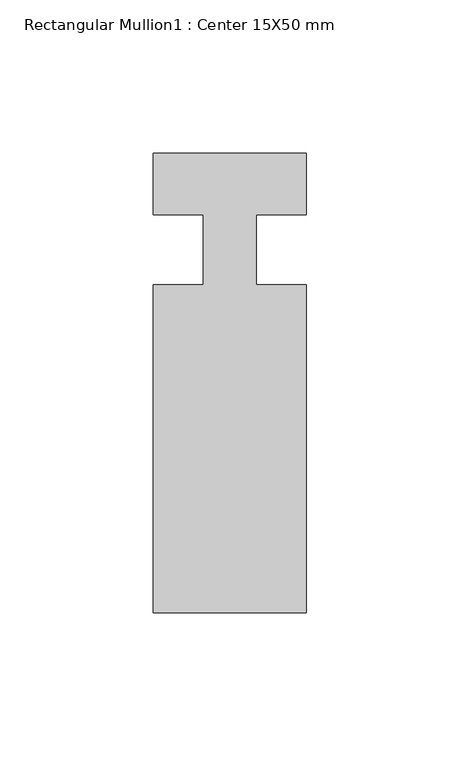
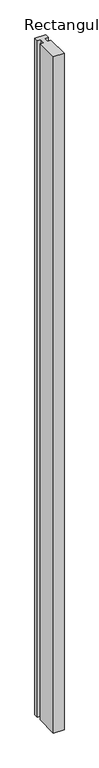
"""IFC4 building model written with IfcOpenShell, lengths in millimetres: member geometry, Rectangular Mullion1 : Center 15X50 mm."""

from ifc_helpers import new_model, si_unit, frame, origin, place, context, project, spatial, polyline, outline, extrude, source, transform, mapped, element, save


def rectangular_mullion1_center_15x50_mm_a65ace5a(model_context):
    return source(origin(), model_context, "Body", "SweptSolid", [
        extrude(outline(polyline([(0.0, 17.0), (0.0, -3.0), (-16.3125, -3.0), (-16.3125, -25.8846154), (0.0, -25.8846154), (0.0, -133.0), (-50.0, -133.0), (-50.0, -25.8846154), (-33.6875, -25.8846154), (-33.6875, -3.0), (-50.0, -3.0), (-50.0, 17.0), (0.0, 17.0)])), frame((0.0, 0.0, -3350.0), z_axis=(0.0, 0.0, 1.0), x_axis=(1.0, 0.0, 0.0)), (0.0, 0.0, 1.0), 3350.0),
    ])


if __name__ == "__main__":
    model = new_model("IFC4")
    model_context = context("Model", 3, world=origin())
    ifc_project = project(units=[si_unit("LENGTHUNIT", "METRE", prefix="MILLI")], contexts=[model_context])
    site = spatial("IfcSite", under=ifc_project)
    building = spatial("IfcBuilding", under=site)
    placement = place(None, origin())
    rectangular_mullion1_center_15x50_mm_shape = rectangular_mullion1_center_15x50_mm_a65ace5a(model_context)
    element("IfcMember", 1, ObjectType="Rectangular Mullion1 : Center 15X50 mm", at=placement, inside=building, context=model_context, shape_type="MappedRepresentation", body=[
        mapped(rectangular_mullion1_center_15x50_mm_shape, transform((0.0, 0.0, 0.0), x_axis=(1.0, 0.0, 0.0), y_axis=(0.0, 1.0, 0.0), z_axis=(0.0, 0.0, 1.0))),
    ])
    save(model, "model.ifc")
